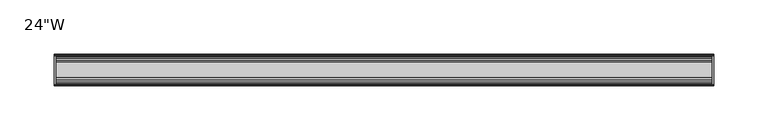
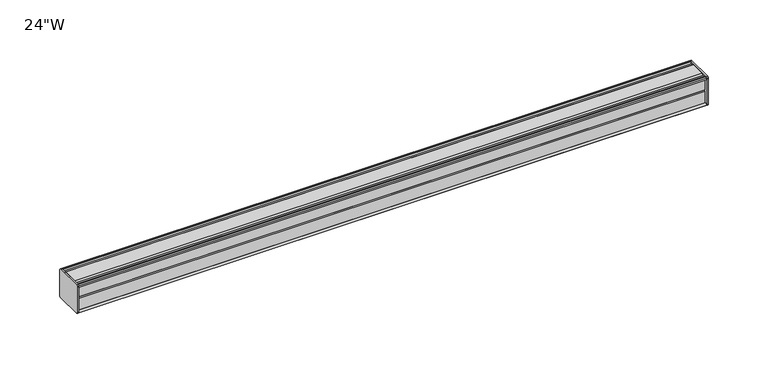
"""IFC4 building model written with IfcOpenShell, lengths in millimetres: furniture geometry."""

from ifc_helpers import new_model, si_unit, frame, origin, place, context, project, spatial, circle_curve, source, transform, mapped, element, save
from ifc_brep_helpers import plane_surface, cylinder_surface, advanced_brep


def furniture_282be5a3(model_context):
    return source(origin(), model_context, "Body", "AdvancedBrep", [
        advanced_brep(
        [(303.2125, 14.5851562, 1402.6608662), (303.2125, 14.5851562, 1376.5105277), (303.2125, 14.4138595, 1375.7046397), (303.2125, 13.8374434, 1375.1282237), (303.2125, 12.9019306, 1374.8775531), (303.2125, -13.4067434, 1374.8775531), (303.2125, -14.3040014, 1375.7748111), (303.2125, -14.5851563, 1376.5432198), (303.2125, -14.5851563, 1402.4615727), (303.2125, -14.3040014, 1403.2299814), (303.2125, -13.4464303, 1404.0875525), (303.2125, 13.0500437, 1404.0875525), (303.2125, 13.8374434, 1403.8765688), (303.2125, 14.4138595, 1403.3001528), (304.8, 14.6248431, 1402.5127531), (304.8, 14.4138595, 1403.3001528), (304.8, 13.8374434, 1403.8765688), (304.8, 13.0500437, 1404.0875525), (304.8, -13.4464303, 1404.0875525), (304.8, -14.3040014, 1403.2299814), (304.8, -14.5851563, 1402.4615727), (304.8, -14.5851563, 1376.5432198), (304.8, -14.3040014, 1375.7748111), (304.8, -13.4067434, 1374.8775531), (304.8, 12.9019306, 1374.8775531), (304.8, 13.8374434, 1375.1282237), (304.8, 14.4138595, 1375.7046397), (304.8, 14.5851562, 1376.5105277)],
        [
            (0, 1),
            (1, 2),
            (2, 3),
            (3, 4),
            (4, 5),
            (5, 6),
            (6, 7, circle_curve(frame((303.2125, -13.3945313, 1376.5432198), z_axis=(-1.0, 0.0, 0.0), x_axis=(0.0, 1.0, 0.0)), 1.190625)),
            (7, 8),
            (8, 9, circle_curve(frame((303.2125, -13.3945313, 1402.4615727), z_axis=(-1.0, 0.0, 0.0), x_axis=(0.0, 1.0, 0.0)), 1.190625)),
            (9, 10),
            (10, 11),
            (11, 12),
            (12, 13),
            (13, 0),
            (14, 15),
            (15, 16),
            (16, 17),
            (17, 18),
            (18, 19),
            (19, 20, circle_curve(frame((304.8, -13.3945313, 1402.4615727), z_axis=(1.0, 0.0, 0.0), x_axis=(0.0, 1.0, 0.0)), 1.190625)),
            (20, 21),
            (21, 22, circle_curve(frame((304.8, -13.3945313, 1376.5432198), z_axis=(1.0, 0.0, 0.0), x_axis=(0.0, 1.0, 0.0)), 1.190625)),
            (22, 23),
            (23, 24),
            (24, 25),
            (25, 26),
            (26, 27),
            (27, 14),
            (13, 15),
            (14, 0),
            (12, 16),
            (11, 17),
            (10, 18),
            (9, 19),
            (8, 20),
            (7, 21),
            (6, 22),
            (5, 23),
            (4, 24),
            (3, 25),
            (2, 26),
            (1, 27),
        ],
        [
            plane_surface(frame((303.2125, 14.5851562, 1376.5105277), z_axis=(-1.0, 0.0, 0.0), x_axis=(0.0, 0.0, -1.0))),
            plane_surface(frame((304.8, 14.5851562, 1376.5105277), z_axis=(1.0, 0.0, 0.0), x_axis=(0.0, 0.0, 1.0))),
            plane_surface(frame((303.2125, 14.4138595, 1403.3001528), z_axis=(0.0, 0.9659256560349851, 0.25881968049857335), x_axis=(1.0, 0.0, 0.0))),
            plane_surface(frame((303.2125, 13.8374434, 1403.8765688), z_axis=(0.0, 0.7071067811866345, 0.7071067811864606), x_axis=(1.0, 0.0, 0.0))),
            plane_surface(frame((303.2125, 13.0500437, 1404.0875525), z_axis=(0.0, 0.2588196804711877, 0.9659256560423232), x_axis=(1.0, 0.0, 0.0))),
            plane_surface(frame((303.2125, -13.4464303, 1404.0875525), z_axis=(0.0, 0.0, 1.0), x_axis=(1.0, 0.0, 0.0))),
            plane_surface(frame((303.2125, -14.3040014, 1403.2299814), z_axis=(0.0, -0.70710678117674, 0.7071067811963553), x_axis=(1.0, 0.0, 0.0))),
            cylinder_surface(frame((304.8, -13.3945313, 1402.4615727), z_axis=(-1.0, 0.0, 0.0), x_axis=(0.0, 1.0, 0.0)), 1.190625),
            plane_surface(frame((303.2125, -14.5851563, 1376.5432198), z_axis=(0.0, -1.0, 0.0), x_axis=(1.0, 0.0, 0.0))),
            cylinder_surface(frame((304.8, -13.3945313, 1376.5432198), z_axis=(-1.0, 0.0, 0.0), x_axis=(0.0, 1.0, 0.0)), 1.190625),
            plane_surface(frame((303.2125, -13.4067434, 1374.8775531), z_axis=(0.0, -0.7071067811916545, -0.7071067811814407), x_axis=(1.0, 0.0, 0.0))),
            plane_surface(frame((303.2125, 12.9019306, 1374.8775531), z_axis=(0.0, 0.0, -1.0), x_axis=(1.0, 0.0, 0.0))),
            plane_surface(frame((303.2125, 13.8374434, 1375.1282237), z_axis=(0.0, 0.2588196804985645, -0.9659256560349875), x_axis=(1.0, 0.0, 0.0))),
            plane_surface(frame((303.2125, 14.4138595, 1375.7046397), z_axis=(0.0, 0.7071067811865204, -0.7071067811865748), x_axis=(1.0, 0.0, 0.0))),
            plane_surface(frame((303.2125, 14.5851562, 1376.5105277), z_axis=(0.0, 0.9781476007310527, -0.207911690830711), x_axis=(1.0, 0.0, 0.0))),
            plane_surface(frame((303.2125, 14.5851562, 1402.6608662), z_axis=(0.0, 1.0, 0.0), x_axis=(1.0, 0.0, 0.0))),
        ],
        [
            (0, [[1, 2, 3, 4, 5, 6, 7, 8, 9, 10, 11, 12, 13, 14]]),
            (1, [[15, 16, 17, 18, 19, 20, 21, 22, 23, 24, 25, 26, 27, 28]]),
            (2, [[-14, 29, -15, 30]]),
            (3, [[-13, 31, -16, -29]]),
            (4, [[-12, 32, -17, -31]]),
            (5, [[-11, 33, -18, -32]]),
            (6, [[-10, 34, -19, -33]]),
            (7, [[-9, 35, -20, -34]]),
            (8, [[-8, 36, -21, -35]]),
            (9, [[-7, 37, -22, -36]]),
            (10, [[-6, 38, -23, -37]]),
            (11, [[-5, 39, -24, -38]]),
            (12, [[-4, 40, -25, -39]]),
            (13, [[-3, 41, -26, -40]]),
            (14, [[-2, 42, -27, -41]]),
            (15, [[-1, -30, -28, -42]]),
        ],
    ),
        advanced_brep(
        [(-303.2125, 14.6248431, 1402.5127531), (-303.2125, 14.4138595, 1403.3001528), (-303.2125, 13.8374434, 1403.8765688), (-303.2125, 13.0500437, 1404.0875525), (-303.2125, -13.4464303, 1404.0875525), (-303.2125, -14.3040014, 1403.2299814), (-303.2125, -14.5851563, 1402.4615727), (-303.2125, -14.5851563, 1376.5432198), (-303.2125, -14.3040014, 1375.7748111), (-303.2125, -13.4067434, 1374.8775531), (-303.2125, 12.9019306, 1374.8775531), (-303.2125, 13.8374434, 1375.1282237), (-303.2125, 14.4138595, 1375.7046397), (-303.2125, 14.5851562, 1376.5105277), (-304.8, 14.5851562, 1402.6608662), (-304.8, 14.5851562, 1376.5105277), (-304.8, 14.4138595, 1375.7046397), (-304.8, 13.8374434, 1375.1282237), (-304.8, 12.9019306, 1374.8775531), (-304.8, -13.4067434, 1374.8775531), (-304.8, -14.3040014, 1375.7748111), (-304.8, -14.5851563, 1376.5432198), (-304.8, -14.5851563, 1402.4615727), (-304.8, -14.3040014, 1403.2299814), (-304.8, -13.4464303, 1404.0875525), (-304.8, 13.0500437, 1404.0875525), (-304.8, 13.8374434, 1403.8765688), (-304.8, 14.4138595, 1403.3001528)],
        [
            (0, 1),
            (1, 2),
            (2, 3),
            (3, 4),
            (4, 5),
            (5, 6, circle_curve(frame((-303.2125, -13.3945313, 1402.4615727), z_axis=(1.0, 0.0, 0.0), x_axis=(0.0, 1.0, 0.0)), 1.190625)),
            (6, 7),
            (7, 8, circle_curve(frame((-303.2125, -13.3945313, 1376.5432198), z_axis=(1.0, 0.0, 0.0), x_axis=(0.0, 1.0, 0.0)), 1.190625)),
            (8, 9),
            (9, 10),
            (10, 11),
            (11, 12),
            (12, 13),
            (13, 0),
            (14, 15),
            (15, 16),
            (16, 17),
            (17, 18),
            (18, 19),
            (19, 20),
            (20, 21, circle_curve(frame((-304.8, -13.3945313, 1376.5432198), z_axis=(-1.0, 0.0, 0.0), x_axis=(0.0, 1.0, 0.0)), 1.190625)),
            (21, 22),
            (22, 23, circle_curve(frame((-304.8, -13.3945313, 1402.4615727), z_axis=(-1.0, 0.0, 0.0), x_axis=(0.0, 1.0, 0.0)), 1.190625)),
            (23, 24),
            (24, 25),
            (25, 26),
            (26, 27),
            (27, 14),
            (0, 14),
            (27, 1),
            (26, 2),
            (25, 3),
            (24, 4),
            (23, 5),
            (22, 6),
            (21, 7),
            (20, 8),
            (19, 9),
            (18, 10),
            (17, 11),
            (16, 12),
            (15, 13),
        ],
        [
            plane_surface(frame((-303.2125, 14.6248431, 1402.5127531), z_axis=(1.0, 0.0, 0.0), x_axis=(0.0, -0.2588196804389644, 0.9659256560509574))),
            plane_surface(frame((-304.8, 14.6248431, 1402.5127531), z_axis=(-1.0, 0.0, 0.0), x_axis=(0.0, 0.2588196804389644, -0.9659256560509574))),
            plane_surface(frame((-303.2125, 14.6248431, 1402.5127531), z_axis=(0.0, 0.9659256560509574, 0.2588196804389644), x_axis=(-1.0, 0.0, 0.0))),
            plane_surface(frame((-303.2125, 14.4138595, 1403.3001528), z_axis=(0.0, 0.7071067810674612, 0.7071067813056339), x_axis=(-1.0, 0.0, 0.0))),
            plane_surface(frame((-303.2125, 13.8374434, 1403.8765688), z_axis=(0.0, 0.25881968048355775, 0.9659256560390086), x_axis=(-1.0, 0.0, 0.0))),
            plane_surface(frame((-303.2125, 13.0500437, 1404.0875525), z_axis=(0.0, 0.0, 1.0), x_axis=(-1.0, 0.0, 0.0))),
            plane_surface(frame((-303.2125, -13.4464303, 1404.0875525), z_axis=(0.0, -0.7071067811881345, 0.7071067811849606), x_axis=(-1.0, 0.0, 0.0))),
            cylinder_surface(frame((-304.8, -13.3945313, 1402.4615727), z_axis=(1.0, 0.0, 0.0), x_axis=(0.0, 1.0, 0.0)), 1.190625),
            plane_surface(frame((-303.2125, -14.5851563, 1402.4615727), z_axis=(0.0, -1.0, 0.0), x_axis=(-1.0, 0.0, 0.0))),
            cylinder_surface(frame((-304.8, -13.3945313, 1376.5432198), z_axis=(1.0, 0.0, 0.0), x_axis=(0.0, 1.0, 0.0)), 1.190625),
            plane_surface(frame((-303.2125, -14.3040014, 1375.7748111), z_axis=(0.0, -0.7071067811865326, -0.7071067811865626), x_axis=(-1.0, 0.0, 0.0))),
            plane_surface(frame((-303.2125, -13.4067434, 1374.8775531), z_axis=(0.0, 0.0, -1.0), x_axis=(-1.0, 0.0, 0.0))),
            plane_surface(frame((-303.2125, 12.9019306, 1374.8775531), z_axis=(0.0, 0.25881968049856513, -0.9659256560349874), x_axis=(-1.0, 0.0, 0.0))),
            plane_surface(frame((-303.2125, 13.8374434, 1375.1282237), z_axis=(0.0, 0.707106781186519, -0.7071067811865761), x_axis=(-1.0, 0.0, 0.0))),
            plane_surface(frame((-303.2125, 14.4138595, 1375.7046397), z_axis=(0.0, 0.9781476007314348, -0.20791169082891317), x_axis=(-1.0, 0.0, 0.0))),
            plane_surface(frame((-303.2125, 14.5851562, 1376.5105277), z_axis=(0.0, 1.0, 0.0), x_axis=(-1.0, 0.0, 0.0))),
        ],
        [
            (0, [[1, 2, 3, 4, 5, 6, 7, 8, 9, 10, 11, 12, 13, 14]]),
            (1, [[15, 16, 17, 18, 19, 20, 21, 22, 23, 24, 25, 26, 27, 28]]),
            (2, [[-1, 29, -28, 30]]),
            (3, [[-2, -30, -27, 31]]),
            (4, [[-3, -31, -26, 32]]),
            (5, [[-4, -32, -25, 33]]),
            (6, [[-5, -33, -24, 34]]),
            (7, [[-6, -34, -23, 35]]),
            (8, [[-7, -35, -22, 36]]),
            (9, [[-8, -36, -21, 37]]),
            (10, [[-9, -37, -20, 38]]),
            (11, [[-10, -38, -19, 39]]),
            (12, [[-11, -39, -18, 40]]),
            (13, [[-12, -40, -17, 41]]),
            (14, [[-13, -41, -16, 42]]),
            (15, [[-14, -42, -15, -29]]),
        ],
    ),
        advanced_brep(
        [(303.2125, -7.3748315, 1404.0875525), (303.2125, -8.9105708, 1403.0568196), (303.2125, -10.7601399, 1403.0568196), (303.2125, -12.2958792, 1404.0875525), (303.2125, -13.4464303, 1404.0875525), (303.2125, -14.3040014, 1403.2299814), (303.2125, -13.3945313, 1401.2709477), (303.2125, -13.3945313, 1402.182552), (303.2125, -12.2039063, 1402.182552), (303.2125, -12.2039063, 1390.2763032), (303.2125, -11.4101564, 1389.4825534), (303.2125, -12.2039063, 1388.6888036), (303.2125, -12.2039063, 1376.7825531), (303.2125, -13.3945313, 1376.7825531), (303.2125, -13.3945313, 1377.7338448), (303.2125, -14.3040014, 1375.7748111), (303.2125, -13.4067434, 1374.8775531), (303.2125, -12.2958792, 1374.8775531), (303.2125, -10.7601399, 1375.9082871), (303.2125, -8.9105708, 1375.9082871), (303.2125, -7.4339628, 1374.91724), (303.2125, 7.4145184, 1374.91724), (303.2125, 8.9502576, 1375.9479729), (303.2125, 10.7998291, 1375.9479729), (303.2125, 12.2275037, 1374.91724), (303.2125, 13.0500437, 1374.91724), (303.2125, 13.8374434, 1375.1282237), (303.2125, 14.4138595, 1375.7046397), (303.2125, 14.5851562, 1376.5105277), (303.2125, 14.5851562, 1402.6608662), (303.2125, 14.4138595, 1403.3001528), (303.2125, 13.8374434, 1403.8765688), (303.2125, 13.0500437, 1404.0875525), (303.2125, 12.2275037, 1404.0875525), (303.2125, 10.7998291, 1403.0568196), (303.2125, 8.9502576, 1403.0568196), (303.2125, 7.4145184, 1404.0875525), (-303.2125, -7.3748315, 1404.0875525), (-303.2125, 7.4145184, 1404.0875525), (-303.2125, 8.9502576, 1403.0568196), (-303.2125, 10.7998291, 1403.0568196), (-303.2125, 12.2275037, 1404.0875525), (-303.2125, 13.0500437, 1404.0875525), (-303.2125, 13.8374434, 1403.8765688), (-303.2125, 14.4138595, 1403.3001528), (-303.2125, 14.6248431, 1402.5127531), (-303.2125, 14.5851562, 1376.5105277), (-303.2125, 14.4138595, 1375.7046397), (-303.2125, 13.8374434, 1375.1282237), (-303.2125, 13.0500437, 1374.91724), (-303.2125, 12.2275037, 1374.91724), (-303.2125, 10.7998291, 1375.9479729), (-303.2125, 8.9502576, 1375.9479729), (-303.2125, 7.4145184, 1374.91724), (-303.2125, -7.4339628, 1374.91724), (-303.2125, -8.9105708, 1375.9082871), (-303.2125, -10.7601399, 1375.9082871), (-303.2125, -12.2958792, 1374.8775531), (-303.2125, -13.4067434, 1374.8775531), (-303.2125, -14.3040014, 1375.7748111), (-303.2125, -13.3945313, 1377.7338448), (-303.2125, -13.3945313, 1376.7825531), (-303.2125, -12.2039063, 1376.7825531), (-303.2125, -12.2039063, 1388.6888036), (-303.2125, -11.4101564, 1389.4825534), (-303.2125, -12.2039063, 1390.2763032), (-303.2125, -12.2039063, 1402.182552), (-303.2125, -13.3945313, 1402.182552), (-303.2125, -13.3945313, 1401.2709477), (-303.2125, -14.3040014, 1403.2299814), (-303.2125, -13.4464303, 1404.0875525), (-303.2125, -12.2958792, 1404.0875525), (-303.2125, -10.7601399, 1403.0568196), (-303.2125, -8.9105708, 1403.0568196)],
        [
            (0, 1),
            (1, 2),
            (2, 3),
            (3, 4),
            (4, 5),
            (5, 6, circle_curve(frame((303.2125, -13.3945313, 1402.4615727), z_axis=(1.0, 0.0, 0.0), x_axis=(0.0, 1.0, 0.0)), 1.190625)),
            (6, 7),
            (7, 8),
            (8, 9),
            (9, 10),
            (10, 11),
            (11, 12),
            (12, 13),
            (13, 14),
            (14, 15, circle_curve(frame((303.2125, -13.3945313, 1376.5432198), z_axis=(1.0, 0.0, 0.0), x_axis=(0.0, 1.0, 0.0)), 1.190625)),
            (15, 16),
            (16, 17),
            (17, 18),
            (18, 19),
            (19, 20),
            (20, 21),
            (21, 22),
            (22, 23),
            (23, 24),
            (24, 25),
            (25, 26),
            (26, 27),
            (27, 28),
            (28, 29),
            (29, 30),
            (30, 31),
            (31, 32),
            (32, 33),
            (33, 34),
            (34, 35),
            (35, 36),
            (36, 0),
            (37, 38),
            (38, 39),
            (39, 40),
            (40, 41),
            (41, 42),
            (42, 43),
            (43, 44),
            (44, 45),
            (45, 46),
            (46, 47),
            (47, 48),
            (48, 49),
            (49, 50),
            (50, 51),
            (51, 52),
            (52, 53),
            (53, 54),
            (54, 55),
            (55, 56),
            (56, 57),
            (57, 58),
            (58, 59),
            (59, 60, circle_curve(frame((-303.2125, -13.3945313, 1376.5432198), z_axis=(-1.0, 0.0, 0.0), x_axis=(0.0, 1.0, 0.0)), 1.190625)),
            (60, 61),
            (61, 62),
            (62, 63),
            (63, 64),
            (64, 65),
            (65, 66),
            (66, 67),
            (67, 68),
            (68, 69, circle_curve(frame((-303.2125, -13.3945313, 1402.4615727), z_axis=(-1.0, 0.0, 0.0), x_axis=(0.0, 1.0, 0.0)), 1.190625)),
            (69, 70),
            (70, 71),
            (71, 72),
            (72, 73),
            (73, 37),
            (0, 37),
            (73, 1),
            (72, 2),
            (71, 3),
            (70, 4),
            (69, 5),
            (68, 6),
            (67, 7),
            (66, 8),
            (65, 9),
            (64, 10),
            (63, 11),
            (62, 12),
            (61, 13),
            (60, 14),
            (59, 15),
            (58, 16),
            (57, 17),
            (56, 18),
            (55, 19),
            (54, 20),
            (53, 21),
            (52, 22),
            (51, 23),
            (50, 24),
            (49, 25),
            (48, 26),
            (47, 27),
            (46, 28),
            (45, 29),
            (44, 30),
            (43, 31),
            (42, 32),
            (41, 33),
            (40, 34),
            (39, 35),
            (38, 36),
        ],
        [
            plane_surface(frame((303.2125, -7.3748315, 1404.0875525), z_axis=(1.0, 0.0, 0.0), x_axis=(0.0, -0.8303227972604666, -0.5572827400427488))),
            plane_surface(frame((-303.2125, -7.3748315, 1404.0875525), z_axis=(-1.0, 0.0, 0.0), x_axis=(0.0, 0.8303227972604666, 0.5572827400427488))),
            plane_surface(frame((303.2125, -7.3748315, 1404.0875525), z_axis=(0.0, -0.5572827400427488, 0.8303227972604666), x_axis=(-1.0, 0.0, 0.0))),
            plane_surface(frame((303.2125, -8.9105708, 1403.0568196), z_axis=(0.0, 0.0, 1.0), x_axis=(-1.0, 0.0, 0.0))),
            plane_surface(frame((303.2125, -10.7601399, 1403.0568196), z_axis=(0.0, 0.5572827400427491, 0.8303227972604665), x_axis=(-1.0, 0.0, 0.0))),
            plane_surface(frame((303.2125, -12.2958792, 1404.0875525), z_axis=(0.0, 0.0, 1.0), x_axis=(-1.0, 0.0, 0.0))),
            plane_surface(frame((303.2125, -13.4464303, 1404.0875525), z_axis=(0.0, -0.7071067811810978, 0.7071067811919972), x_axis=(-1.0, 0.0, 0.0))),
            cylinder_surface(frame((-303.2125, -13.3945313, 1402.4615727), z_axis=(1.0, 0.0, 0.0), x_axis=(0.0, 1.0, 0.0)), 1.190625),
            plane_surface(frame((303.2125, -13.3945313, 1401.2709477), z_axis=(0.0, 1.0, 0.0), x_axis=(-1.0, 0.0, 0.0))),
            plane_surface(frame((303.2125, -13.3945313, 1402.182552), z_axis=(0.0, 0.0, -1.0), x_axis=(-1.0, 0.0, 0.0))),
            plane_surface(frame((303.2125, -12.2039063, 1402.182552), z_axis=(0.0, -1.0, 0.0), x_axis=(-1.0, 0.0, 0.0))),
            plane_surface(frame((303.2125, -12.2039063, 1390.2763032), z_axis=(0.0, -0.7071067811865146, -0.7071067811865805), x_axis=(-1.0, 0.0, 0.0))),
            plane_surface(frame((303.2125, -11.4101564, 1389.4825534), z_axis=(0.0, -0.7071067811865522, 0.7071067811865428), x_axis=(-1.0, 0.0, 0.0))),
            plane_surface(frame((303.2125, -12.2039063, 1388.6888036), z_axis=(0.0, -1.0, 0.0), x_axis=(-1.0, 0.0, 0.0))),
            plane_surface(frame((303.2125, -12.2039063, 1376.7825531), z_axis=(0.0, 0.0, 1.0), x_axis=(-1.0, 0.0, 0.0))),
            plane_surface(frame((303.2125, -13.3945313, 1376.7825531), z_axis=(0.0, 1.0, 0.0), x_axis=(-1.0, 0.0, 0.0))),
            cylinder_surface(frame((-303.2125, -13.3945313, 1376.5432198), z_axis=(1.0, 0.0, 0.0), x_axis=(0.0, 1.0, 0.0)), 1.190625),
            plane_surface(frame((303.2125, -14.3040014, 1375.7748111), z_axis=(0.0, -0.7071067811865884, -0.7071067811865067), x_axis=(-1.0, 0.0, 0.0))),
            plane_surface(frame((303.2125, -13.4067434, 1374.8775531), z_axis=(0.0, 0.0, -1.0), x_axis=(-1.0, 0.0, 0.0))),
            plane_surface(frame((303.2125, -12.2958792, 1374.8775531), z_axis=(0.0, 0.5572831632988446, -0.8303225131860712), x_axis=(-1.0, 0.0, 0.0))),
            plane_surface(frame((303.2125, -10.7601399, 1375.9082871), z_axis=(0.0, 0.0, -1.0), x_axis=(-1.0, 0.0, 0.0))),
            plane_surface(frame((303.2125, -8.9105708, 1375.9082871), z_axis=(0.0, -0.5572831633038827, -0.8303225131826898), x_axis=(-1.0, 0.0, 0.0))),
            plane_surface(frame((303.2125, -7.4339628, 1374.91724), z_axis=(0.0, 0.0, -1.0), x_axis=(-1.0, 0.0, 0.0))),
            plane_surface(frame((303.2125, 7.4145184, 1374.91724), z_axis=(0.0, 0.5572827400524372, -0.8303227972539643), x_axis=(-1.0, 0.0, 0.0))),
            plane_surface(frame((303.2125, 8.9502576, 1375.9479729), z_axis=(0.0, 0.0, -1.0), x_axis=(-1.0, 0.0, 0.0))),
            plane_surface(frame((303.2125, 10.7998291, 1375.9479729), z_axis=(0.0, -0.5853541342124147, -0.8107777362264177), x_axis=(-1.0, 0.0, 0.0))),
            plane_surface(frame((303.2125, 12.2275037, 1374.91724), z_axis=(0.0, 0.0, -1.0), x_axis=(-1.0, 0.0, 0.0))),
            plane_surface(frame((303.2125, 13.0500437, 1374.91724), z_axis=(0.0, 0.2588196804985639, -0.9659256560349877), x_axis=(-1.0, 0.0, 0.0))),
            plane_surface(frame((303.2125, 13.8374434, 1375.1282237), z_axis=(0.0, 0.7071067811865592, -0.7071067811865358), x_axis=(-1.0, 0.0, 0.0))),
            plane_surface(frame((303.2125, 14.4138595, 1375.7046397), z_axis=(0.0, 0.9781476007314349, -0.20791169082891267), x_axis=(-1.0, 0.0, 0.0))),
            plane_surface(frame((303.2125, 14.5851562, 1376.5105277), z_axis=(0.0, 1.0, 0.0), x_axis=(-1.0, 0.0, 0.0))),
            plane_surface(frame((303.2125, 14.6248431, 1402.5127531), z_axis=(0.0, 0.9659256560510241, 0.2588196804387156), x_axis=(-1.0, 0.0, 0.0))),
            plane_surface(frame((303.2125, 14.4138595, 1403.3001528), z_axis=(0.0, 0.7071067810668281, 0.707106781306267), x_axis=(-1.0, 0.0, 0.0))),
            plane_surface(frame((303.2125, 13.8374434, 1403.8765688), z_axis=(0.0, 0.25881968048369114, 0.9659256560389728), x_axis=(-1.0, 0.0, 0.0))),
            plane_surface(frame((303.2125, 13.0500437, 1404.0875525), z_axis=(0.0, 0.0, 1.0), x_axis=(-1.0, 0.0, 0.0))),
            plane_surface(frame((303.2125, 12.2275037, 1404.0875525), z_axis=(0.0, -0.5853541342075637, 0.8107777362299199), x_axis=(-1.0, 0.0, 0.0))),
            plane_surface(frame((303.2125, 10.7998291, 1403.0568196), z_axis=(0.0, 0.0, 1.0), x_axis=(-1.0, 0.0, 0.0))),
            plane_surface(frame((303.2125, 8.9502576, 1403.0568196), z_axis=(0.0, 0.5572827400427491, 0.8303227972604665), x_axis=(-1.0, 0.0, 0.0))),
            plane_surface(frame((303.2125, 7.4145184, 1404.0875525), z_axis=(0.0, 0.0, 1.0), x_axis=(-1.0, 0.0, 0.0))),
        ],
        [
            (0, [[1, 2, 3, 4, 5, 6, 7, 8, 9, 10, 11, 12, 13, 14, 15, 16, 17, 18, 19, 20, 21, 22, 23, 24, 25, 26, 27, 28, 29, 30, 31, 32, 33, 34, 35, 36, 37]]),
            (1, [[38, 39, 40, 41, 42, 43, 44, 45, 46, 47, 48, 49, 50, 51, 52, 53, 54, 55, 56, 57, 58, 59, 60, 61, 62, 63, 64, 65, 66, 67, 68, 69, 70, 71, 72, 73, 74]]),
            (2, [[-1, 75, -74, 76]]),
            (3, [[-2, -76, -73, 77]]),
            (4, [[-3, -77, -72, 78]]),
            (5, [[-4, -78, -71, 79]]),
            (6, [[-5, -79, -70, 80]]),
            (7, [[-6, -80, -69, 81]]),
            (8, [[-7, -81, -68, 82]]),
            (9, [[-8, -82, -67, 83]]),
            (10, [[-9, -83, -66, 84]]),
            (11, [[-10, -84, -65, 85]]),
            (12, [[-11, -85, -64, 86]]),
            (13, [[-12, -86, -63, 87]]),
            (14, [[-13, -87, -62, 88]]),
            (15, [[-14, -88, -61, 89]]),
            (16, [[-15, -89, -60, 90]]),
            (17, [[-16, -90, -59, 91]]),
            (18, [[-17, -91, -58, 92]]),
            (19, [[-18, -92, -57, 93]]),
            (20, [[-19, -93, -56, 94]]),
            (21, [[-20, -94, -55, 95]]),
            (22, [[-21, -95, -54, 96]]),
            (23, [[-22, -96, -53, 97]]),
            (24, [[-23, -97, -52, 98]]),
            (25, [[-24, -98, -51, 99]]),
            (26, [[-25, -99, -50, 100]]),
            (27, [[-26, -100, -49, 101]]),
            (28, [[-27, -101, -48, 102]]),
            (29, [[-28, -102, -47, 103]]),
            (30, [[-29, -103, -46, 104]]),
            (31, [[-30, -104, -45, 105]]),
            (32, [[-31, -105, -44, 106]]),
            (33, [[-32, -106, -43, 107]]),
            (34, [[-33, -107, -42, 108]]),
            (35, [[-34, -108, -41, 109]]),
            (36, [[-35, -109, -40, 110]]),
            (37, [[-36, -110, -39, 111]]),
            (38, [[-37, -111, -38, -75]]),
        ],
    ),
    ])


if __name__ == "__main__":
    model = new_model("IFC4")
    model_context = context("Model", 3, world=origin())
    ifc_project = project(units=[si_unit("LENGTHUNIT", "METRE", prefix="MILLI")], contexts=[model_context])
    site = spatial("IfcSite", under=ifc_project)
    building = spatial("IfcBuilding", under=site)
    placement = place(None, origin())
    furniture_shape = furniture_282be5a3(model_context)
    element("IfcFurniture", 1, ObjectType="24\"W", at=placement, inside=building, context=model_context, shape_type="MappedRepresentation", body=[
        mapped(furniture_shape, transform((0.0, 0.0, 0.0), x_axis=(1.0, 0.0, 0.0), y_axis=(0.0, 1.0, 0.0), z_axis=(0.0, 0.0, 1.0))),
    ])
    save(model, "model.ifc")
